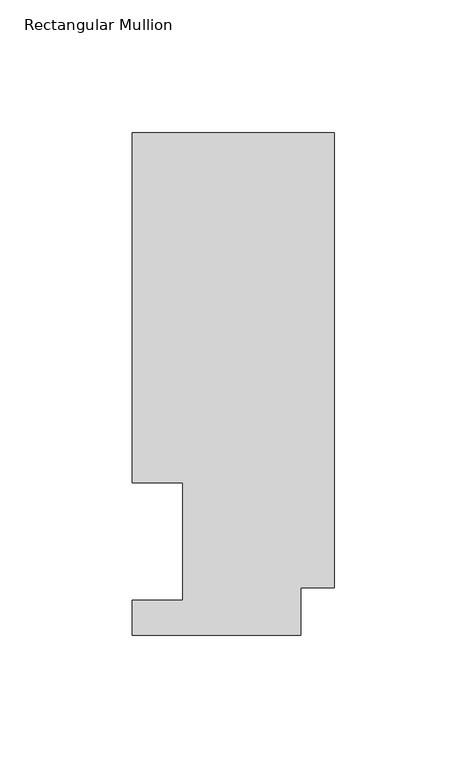
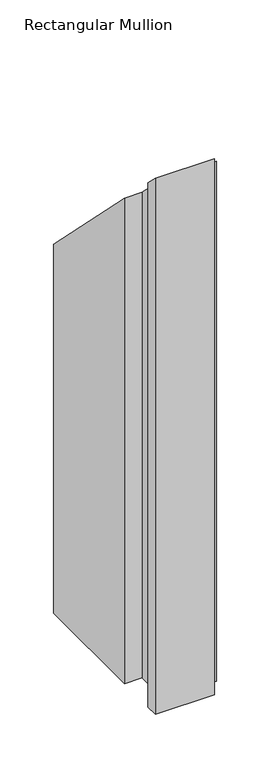
"""IFC4 building model written with IfcOpenShell, lengths in millimetres: member geometry, Rectangular Mullion."""

from ifc_helpers import new_model, si_unit, origin, place, context, project, spatial, faceted_brep, source, transform, mapped, element, save


def rectangular_mullion_f1711639(model_context):
    return source(origin(), model_context, "Body", "Brep", [
        faceted_brep([(0.0, 189.8022938, -609.6), (0.0, 17.9712938, -609.6), (-12.7, 17.9712938, -609.6), (-12.7, 0.0134938, -609.6), (-76.2, 0.0134938, -609.6), (-76.2, 13.1960938, -609.6), (-57.15, 13.1960938, -609.6), (-57.15, 57.6460937, -609.6), (-76.2, 57.6460938, -609.6), (-76.2, 189.8022938, -609.6), (-76.2, 189.8022938, -189.8022937), (0.0, 189.8022938, -189.8022937), (-76.2, 57.6460938, -57.6460937), (-57.15, 57.6460938, -57.6460937), (-57.15, 13.1960938, -13.1960938), (-76.2, 13.1960938, -13.1960938), (-76.2, 0.0134938, -0.0134938), (-12.7, 0.0134938, -0.0134938), (-12.7, 17.9712938, -17.9712938), (0.0, 17.9712938, -17.9712938)], [[[0, 1, 2, 3, 4, 5, 6, 7, 8, 9]], [[10, 11, 0, 9]], [[12, 10, 9, 8]], [[13, 12, 8, 7]], [[14, 13, 7, 6]], [[15, 14, 6, 5]], [[16, 15, 5, 4]], [[17, 16, 4, 3]], [[18, 17, 3, 2]], [[19, 18, 2, 1]], [[11, 19, 1, 0]], [[11, 10, 12, 13, 14, 15, 16, 17, 18, 19]]]),
    ])


if __name__ == "__main__":
    model = new_model("IFC4")
    model_context = context("Model", 3, world=origin())
    ifc_project = project(units=[si_unit("LENGTHUNIT", "METRE", prefix="MILLI")], contexts=[model_context])
    site = spatial("IfcSite", under=ifc_project)
    building = spatial("IfcBuilding", under=site)
    placement = place(None, origin())
    rectangular_mullion_shape = rectangular_mullion_f1711639(model_context)
    element("IfcMember", 1, ObjectType="Rectangular Mullion", at=placement, inside=building, context=model_context, shape_type="MappedRepresentation", body=[
        mapped(rectangular_mullion_shape, transform((0.0, 0.0, 0.0), x_axis=(1.0, 0.0, 0.0), y_axis=(0.0, 1.0, 0.0), z_axis=(0.0, 0.0, 1.0))),
    ])
    save(model, "model.ifc")
